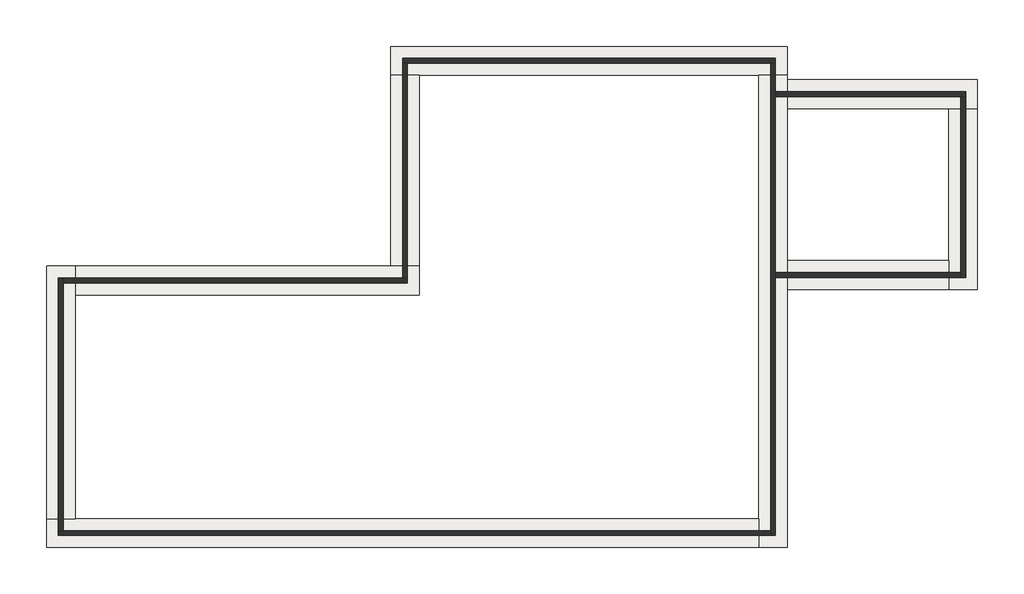
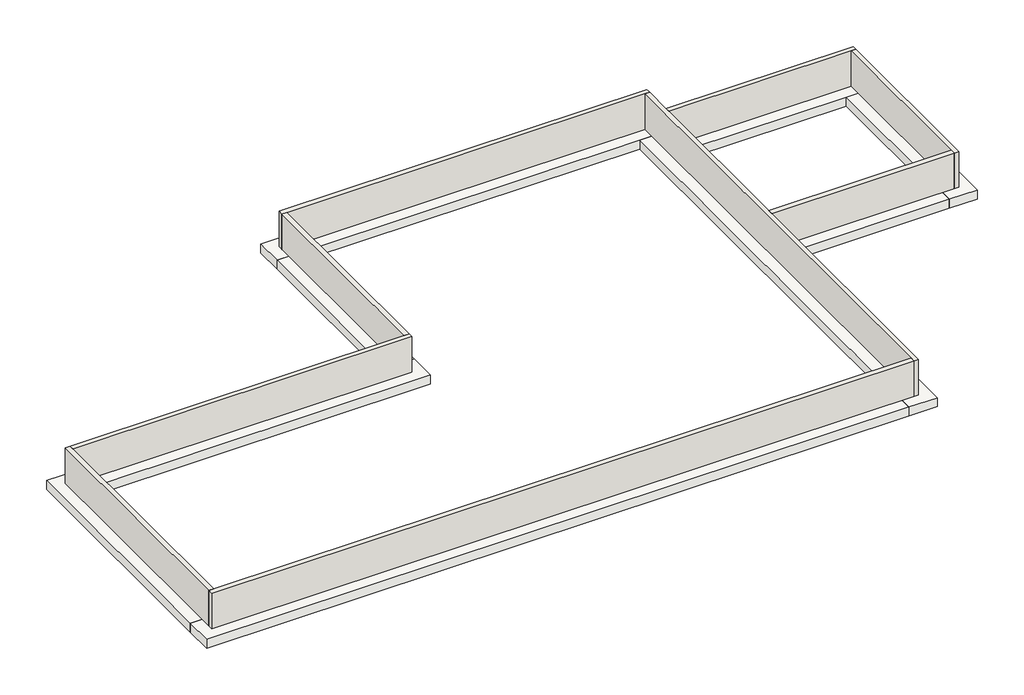
# One storey: 9 footings, 9 walls.
"""IFC4 building model written with IfcOpenShell, lengths in millimetres."""

from ifc_helpers import new_model, si_unit, frame, origin, place, context, project, spatial, polyline, outline, extrude, faceted_brep, element, save

model = new_model("IFC4")

# Units and contexts
model_context = context("Model", 3, world=origin())
ifc_project = project(units=[si_unit("LENGTHUNIT", "METRE", prefix="MILLI")], contexts=[model_context])

# Site, building, storey
site = spatial("IfcSite", under=ifc_project)
building = spatial("IfcBuilding", under=site)
storey = spatial("IfcBuildingStorey", under=building, Elevation=-1219.2)

# Footings
placement = place(None, origin())
element("IfcFooting", 1, ObjectType="Bearing Footing - 24\" x 12\"", at=placement, inside=storey, context=model_context, shape_type="Brep", body=[
    faceted_brep([(6248.1894897, -154.9047232, -1219.2), (7162.5894897, -154.9047232, -1219.2), (17982.9894897, -154.9047232, -1219.2), (18897.3894897, -154.9047232, -1219.2), (18897.3894897, 759.4952768, -1219.2), (6248.1894897, 759.4952768, -1219.2), (6248.1894897, 759.4952768, -1524.0), (18897.3894897, 759.4952768, -1524.0), (6248.1894897, -154.9047232, -1524.0), (18897.3894897, -154.9047232, -1524.0), (17982.9894897, -154.9047232, -1524.0), (7162.5894897, -154.9047232, -1524.0)], [[[0, 1, 2, 3, 4, 5]], [[6, 5, 4, 7]], [[8, 6, 7, 9, 10, 11]], [[0, 8, 11, 10, 9, 3, 2, 1]], [[4, 3, 9, 7]], [[0, 5, 6, 8]]]),
])
element("IfcFooting", 2, ObjectType="Bearing Footing - 24\" x 12\"", at=placement, inside=storey, context=model_context, shape_type="Brep", body=[
    faceted_brep([(17982.9894897, -15220.2797232, -1219.2), (18897.3894897, -15220.2797232, -1219.2), (18897.3894897, -6990.6797232, -1219.2), (18897.3894897, -6076.2797232, -1219.2), (18897.3894897, -1220.1172232, -1219.2), (18897.3894897, -305.7172232, -1219.2), (18897.3894897, -154.9047232, -1219.2), (17982.9894897, -154.9047232, -1219.2), (17982.9894897, -14305.8797232, -1219.2), (18897.3894897, -15220.2797232, -1524.0), (18897.3894897, -6990.6797232, -1524.0), (18897.3894897, -6076.2797232, -1524.0), (18897.3894897, -1220.1172232, -1524.0), (18897.3894897, -305.7172232, -1524.0), (18897.3894897, -154.9047232, -1524.0), (17982.9894897, -15220.2797232, -1524.0), (17982.9894897, -14305.8797232, -1524.0), (17982.9894897, -154.9047232, -1524.0)], [[[0, 1, 2, 3, 4, 5, 6, 7, 8]], [[1, 9, 10, 11, 12, 13, 14, 6, 5, 4, 3, 2]], [[9, 15, 16, 17, 14, 13, 12, 11, 10]], [[15, 0, 8, 7, 17, 16]], [[7, 6, 14, 17]], [[1, 0, 15, 9]]]),
])
element("IfcFooting", 3, ObjectType="Bearing Footing - 24\" x 12\"", at=placement, inside=storey, context=model_context, shape_type="Brep", body=[
    faceted_brep([(-4724.6105103, -14305.8797232, -1219.2), (-4724.6105103, -15220.2797232, -1219.2), (17982.9894897, -15220.2797232, -1219.2), (17982.9894897, -14305.8797232, -1219.2), (-3810.2105103, -14305.8797232, -1219.2), (-4724.6105103, -15220.2797232, -1524.0), (17982.9894897, -15220.2797232, -1524.0), (-4724.6105103, -14305.8797232, -1524.0), (-3810.2105103, -14305.8797232, -1524.0), (17982.9894897, -14305.8797232, -1524.0)], [[[0, 1, 2, 3, 4]], [[1, 5, 6, 2]], [[5, 7, 8, 9, 6]], [[7, 0, 4, 3, 9, 8]], [[3, 2, 6, 9]], [[1, 0, 7, 5]]]),
])
element("IfcFooting", 4, ObjectType="Bearing Footing - 24\" x 12\"", at=placement, inside=storey, context=model_context, shape_type="Brep", body=[
    faceted_brep([(-3810.2105103, -6250.9047232, -1219.2), (-4724.6105103, -6250.9047232, -1219.2), (-4724.6105103, -14305.8797232, -1219.2), (-3810.2105103, -14305.8797232, -1219.2), (-3810.2105103, -7165.3047232, -1219.2), (-4724.6105103, -6250.9047232, -1524.0), (-4724.6105103, -14305.8797232, -1524.0), (-3810.2105103, -6250.9047232, -1524.0), (-3810.2105103, -7165.3047232, -1524.0), (-3810.2105103, -14305.8797232, -1524.0)], [[[0, 1, 2, 3, 4]], [[1, 5, 6, 2]], [[5, 7, 8, 9, 6]], [[7, 0, 4, 3, 9, 8]], [[3, 2, 6, 9]], [[1, 0, 7, 5]]]),
])
element("IfcFooting", 5, ObjectType="Bearing Footing - 24\" x 12\"", at=placement, inside=storey, context=model_context, shape_type="Brep", body=[
    faceted_brep([(7162.5894897, -7165.3047232, -1219.2), (7162.5894897, -6250.9047232, -1219.2), (6248.1894897, -6250.9047232, -1219.2), (-3810.2105103, -6250.9047232, -1219.2), (-3810.2105103, -7165.3047232, -1219.2), (7162.5894897, -6250.9047232, -1524.0), (6248.1894897, -6250.9047232, -1524.0), (-3810.2105103, -6250.9047232, -1524.0), (7162.5894897, -7165.3047232, -1524.0), (-3810.2105103, -7165.3047232, -1524.0)], [[[0, 1, 2, 3, 4]], [[1, 5, 6, 7, 3, 2]], [[5, 8, 9, 7, 6]], [[8, 0, 4, 9]], [[4, 3, 7, 9]], [[1, 0, 8, 5]]]),
])
element("IfcFooting", 6, ObjectType="Bearing Footing - 24\" x 12\"", at=placement, inside=storey, context=model_context, shape_type="SweptSolid", body=[
    extrude(outline(polyline([(6248.1894897, -154.9047232), (7162.5894897, -154.9047232), (7162.5894897, -6250.9047232), (6248.1894897, -6250.9047232), (6248.1894897, -154.9047232)])), frame((0.0, 0.0, -1524.0), z_axis=(0.0, 0.0, 1.0), x_axis=(1.0, 0.0, 0.0)), (0.0, 0.0, 1.0), 304.8),
])
element("IfcFooting", 7, ObjectType="Bearing Footing - 24\" x 12\"", at=placement, inside=storey, context=model_context, shape_type="Brep", body=[
    faceted_brep([(24955.2894897, -1220.1172232, -1219.2), (24955.2894897, -305.7172232, -1219.2), (18897.3894897, -305.7172232, -1219.2), (18897.3894897, -1220.1172232, -1219.2), (24040.8894897, -1220.1172232, -1219.2), (24955.2894897, -305.7172232, -1524.0), (18897.3894897, -305.7172232, -1524.0), (24955.2894897, -1220.1172232, -1524.0), (24040.8894897, -1220.1172232, -1524.0), (18897.3894897, -1220.1172232, -1524.0)], [[[0, 1, 2, 3, 4]], [[1, 5, 6, 2]], [[5, 7, 8, 9, 6]], [[7, 0, 4, 3, 9, 8]], [[3, 2, 6, 9]], [[1, 0, 7, 5]]]),
])
element("IfcFooting", 8, ObjectType="Bearing Footing - 24\" x 12\"", at=placement, inside=storey, context=model_context, shape_type="Brep", body=[
    faceted_brep([(24040.8894897, -6990.6797232, -1219.2), (24955.2894897, -6990.6797232, -1219.2), (24955.2894897, -1220.1172232, -1219.2), (24040.8894897, -1220.1172232, -1219.2), (24040.8894897, -6076.2797232, -1219.2), (24955.2894897, -6990.6797232, -1524.0), (24955.2894897, -1220.1172232, -1524.0), (24040.8894897, -6990.6797232, -1524.0), (24040.8894897, -6076.2797232, -1524.0), (24040.8894897, -1220.1172232, -1524.0)], [[[0, 1, 2, 3, 4]], [[1, 5, 6, 2]], [[5, 7, 8, 9, 6]], [[7, 0, 4, 3, 9, 8]], [[3, 2, 6, 9]], [[1, 0, 7, 5]]]),
])
element("IfcFooting", 9, ObjectType="Bearing Footing - 24\" x 12\"", at=placement, inside=storey, context=model_context, shape_type="SweptSolid", body=[
    extrude(outline(polyline([(18897.3894897, -6990.6797232), (18897.3894897, -6076.2797232), (24040.8894897, -6076.2797232), (24040.8894897, -6990.6797232), (18897.3894897, -6990.6797232)])), frame((0.0, 0.0, -1524.0), z_axis=(0.0, 0.0, 1.0), x_axis=(1.0, 0.0, 0.0)), (0.0, 0.0, 1.0), 304.8),
])

# Walls
element("IfcWall", 10, ObjectType="Foundation 6\" Concrete", at=placement, inside=storey, context=model_context, shape_type="Brep", body=[
    faceted_brep([(6629.1894897, 226.0952768, -1219.2), (6781.5894897, 226.0952768, -1219.2), (18363.9894897, 226.0952768, -1219.2), (18516.3894897, 226.0952768, -1219.2), (18516.3894897, 226.0952768, 0.0), (18363.9894897, 226.0952768, 0.0), (6781.5894897, 226.0952768, 0.0), (6629.1894897, 226.0952768, 0.0), (6629.1894897, 378.4952768, -1219.2), (6629.1894897, 378.4952768, 0.0), (18516.3894897, 378.4952768, 0.0), (18516.3894897, 378.4952768, -1219.2)], [[[0, 1, 2, 3, 4, 5, 6, 7]], [[8, 9, 10, 11]], [[3, 2, 1, 0, 8, 11]], [[7, 6, 5, 4, 10, 9]], [[4, 3, 11, 10]], [[0, 7, 9, 8]]]),
])
element("IfcWall", 11, ObjectType="Foundation 6\" Concrete", at=placement, inside=storey, context=model_context, shape_type="Brep", body=[
    faceted_brep([(18363.9894897, 226.0952768, -1219.2), (18363.9894897, -14686.8797232, -1219.2), (18363.9894897, -14839.2797232, -1219.2), (18363.9894897, -14839.2797232, 0.0), (18363.9894897, -14686.8797232, 0.0), (18363.9894897, 226.0952768, 0.0), (18516.3894897, 226.0952768, -1219.2), (18516.3894897, 226.0952768, 0.0), (18516.3894897, -686.7172232, 0.0), (18516.3894897, -839.1172232, 0.0), (18516.3894897, -6457.2797232, 0.0), (18516.3894897, -6609.6797232, 0.0), (18516.3894897, -14839.2797232, 0.0), (18516.3894897, -14839.2797232, -1219.2), (18516.3894897, -6609.6797232, -1219.2), (18516.3894897, -6457.2797232, -1219.2), (18516.3894897, -839.1172232, -1219.2), (18516.3894897, -686.7172232, -1219.2)], [[[0, 1, 2, 3, 4, 5]], [[6, 7, 8, 9, 10, 11, 12, 13, 14, 15, 16, 17]], [[2, 1, 0, 6, 17, 16, 15, 14, 13]], [[5, 4, 3, 12, 11, 10, 9, 8, 7]], [[0, 5, 7, 6]], [[3, 2, 13, 12]]]),
])
element("IfcWall", 12, ObjectType="Foundation 6\" Concrete", at=placement, inside=storey, context=model_context, shape_type="Brep", body=[
    faceted_brep([(18363.9894897, -14686.8797232, -1219.2), (-4191.2105103, -14686.8797232, -1219.2), (-4343.6105103, -14686.8797232, -1219.2), (-4343.6105103, -14686.8797232, 0.0), (-4191.2105103, -14686.8797232, 0.0), (18363.9894897, -14686.8797232, 0.0), (18363.9894897, -14839.2797232, -1219.2), (18363.9894897, -14839.2797232, 0.0), (-4343.6105103, -14839.2797232, 0.0), (-4343.6105103, -14839.2797232, -1219.2)], [[[0, 1, 2, 3, 4, 5]], [[6, 7, 8, 9]], [[2, 1, 0, 6, 9]], [[5, 4, 3, 8, 7]], [[0, 5, 7, 6]], [[3, 2, 9, 8]]]),
])
element("IfcWall", 13, ObjectType="Foundation 6\" Concrete", at=placement, inside=storey, context=model_context, shape_type="Brep", body=[
    faceted_brep([(-4191.2105103, -14686.8797232, -1219.2), (-4191.2105103, -6784.3047232, -1219.2), (-4191.2105103, -6631.9047232, -1219.2), (-4191.2105103, -6631.9047232, 0.0), (-4191.2105103, -6784.3047232, 0.0), (-4191.2105103, -14686.8797232, 0.0), (-4343.6105103, -14686.8797232, -1219.2), (-4343.6105103, -14686.8797232, 0.0), (-4343.6105103, -6631.9047232, 0.0), (-4343.6105103, -6631.9047232, -1219.2)], [[[0, 1, 2, 3, 4, 5]], [[6, 7, 8, 9]], [[2, 1, 0, 6, 9]], [[5, 4, 3, 8, 7]], [[0, 5, 7, 6]], [[3, 2, 9, 8]]]),
])
element("IfcWall", 14, ObjectType="Foundation 6\" Concrete", at=placement, inside=storey, context=model_context, shape_type="Brep", body=[
    faceted_brep([(-4191.2105103, -6784.3047232, -1219.2), (6781.5894897, -6784.3047232, -1219.2), (6781.5894897, -6784.3047232, 0.0), (-4191.2105103, -6784.3047232, 0.0), (-4191.2105103, -6631.9047232, -1219.2), (-4191.2105103, -6631.9047232, 0.0), (6629.1894897, -6631.9047232, 0.0), (6781.5894897, -6631.9047232, 0.0), (6781.5894897, -6631.9047232, -1219.2), (6629.1894897, -6631.9047232, -1219.2)], [[[0, 1, 2, 3]], [[4, 5, 6, 7, 8, 9]], [[1, 0, 4, 9, 8]], [[3, 2, 7, 6, 5]], [[2, 1, 8, 7]], [[0, 3, 5, 4]]]),
])
element("IfcWall", 15, ObjectType="Foundation 6\" Concrete", at=placement, inside=storey, context=model_context, shape_type="SweptSolid", body=[
    extrude(outline(polyline([(6781.5894897, 226.0952768), (6781.5894897, -6631.9047232), (6629.1894897, -6631.9047232), (6629.1894897, 226.0952768), (6781.5894897, 226.0952768)])), frame((0.0, 0.0, -1219.2), z_axis=(0.0, 0.0, 1.0), x_axis=(1.0, 0.0, 0.0)), (0.0, 0.0, 1.0), 1219.2),
])
element("IfcWall", 16, ObjectType="Foundation 6\" Concrete", at=placement, inside=storey, context=model_context, shape_type="Brep", body=[
    faceted_brep([(18516.3894897, -839.1172232, -1219.2), (24421.8894897, -839.1172232, -1219.2), (24574.2894897, -839.1172232, -1219.2), (24574.2894897, -839.1172232, 0.0), (24421.8894897, -839.1172232, 0.0), (18516.3894897, -839.1172232, 0.0), (18516.3894897, -686.7172232, -1219.2), (18516.3894897, -686.7172232, 0.0), (24574.2894897, -686.7172232, 0.0), (24574.2894897, -686.7172232, -1219.2)], [[[0, 1, 2, 3, 4, 5]], [[6, 7, 8, 9]], [[2, 1, 0, 6, 9]], [[5, 4, 3, 8, 7]], [[3, 2, 9, 8]], [[0, 5, 7, 6]]]),
])
element("IfcWall", 17, ObjectType="Foundation 6\" Concrete", at=placement, inside=storey, context=model_context, shape_type="Brep", body=[
    faceted_brep([(24421.8894897, -839.1172232, -1219.2), (24421.8894897, -6457.2797232, -1219.2), (24421.8894897, -6609.6797232, -1219.2), (24421.8894897, -6609.6797232, 0.0), (24421.8894897, -6457.2797232, 0.0), (24421.8894897, -839.1172232, 0.0), (24574.2894897, -839.1172232, -1219.2), (24574.2894897, -839.1172232, 0.0), (24574.2894897, -6609.6797232, 0.0), (24574.2894897, -6609.6797232, -1219.2)], [[[0, 1, 2, 3, 4, 5]], [[6, 7, 8, 9]], [[2, 1, 0, 6, 9]], [[5, 4, 3, 8, 7]], [[0, 5, 7, 6]], [[3, 2, 9, 8]]]),
])
element("IfcWall", 18, ObjectType="Foundation 6\" Concrete", at=placement, inside=storey, context=model_context, shape_type="SweptSolid", body=[
    extrude(outline(polyline([(18516.3894897, -6457.2797232), (24421.8894897, -6457.2797232), (24421.8894897, -6609.6797232), (18516.3894897, -6609.6797232), (18516.3894897, -6457.2797232)])), frame((0.0, 0.0, -1219.2), z_axis=(0.0, 0.0, 1.0), x_axis=(1.0, 0.0, 0.0)), (0.0, 0.0, 1.0), 1219.2),
])

save(model, "model.ifc")
